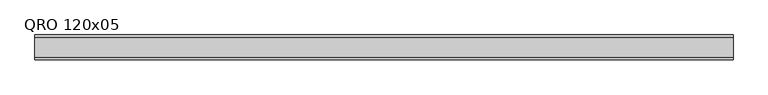
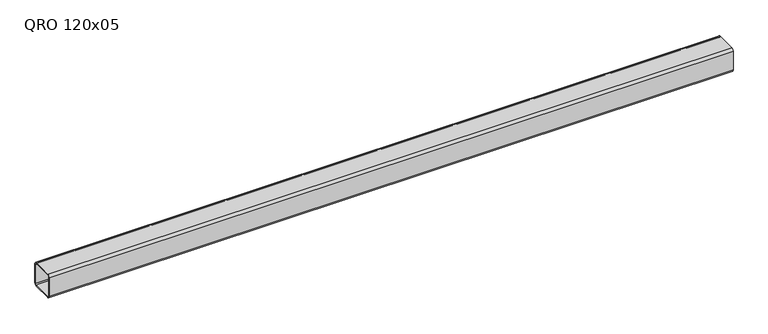
"""IFC4 building model written with IfcOpenShell, lengths in millimetres: beam geometry, QRO 120x05."""

from ifc_helpers import new_model, si_unit, point, frame, frame_2d, origin, place, context, project, spatial, polyline, circle_curve, trimmed, segment, composite_curve, outline, extrude, source, transform, mapped, element, save


def qro_120x05_165c60fd(model_context):
    return source(origin(), model_context, "Body", "SweptSolid", [
        extrude(outline(composite_curve([segment(polyline([(60.0, 48.0), (60.0, -48.0)]), True, "CONTINUOUS"), segment(trimmed(circle_curve(frame_2d((48.0, -48.0)), 12.0), [point((60.0, -48.0))], [point((48.0, -60.0))], False, "CARTESIAN"), True, "CONTINUOUS"), segment(polyline([(48.0, -60.0), (-48.0, -60.0)]), True, "CONTINUOUS"), segment(trimmed(circle_curve(frame_2d((-48.0, -48.0)), 12.0), [point((-48.0, -60.0))], [point((-60.0, -48.0))], False, "CARTESIAN"), True, "CONTINUOUS"), segment(polyline([(-60.0, -48.0), (-60.0, 48.0)]), True, "CONTINUOUS"), segment(trimmed(circle_curve(frame_2d((-48.0, 48.0)), 12.0), [point((-60.0, 48.0))], [point((-48.0, 60.0))], False, "CARTESIAN"), True, "CONTINUOUS"), segment(polyline([(-48.0, 60.0), (48.0, 60.0)]), True, "CONTINUOUS"), segment(trimmed(circle_curve(frame_2d((48.0, 48.0)), 12.0), [point((48.0, 60.0))], [point((60.0, 48.0))], False, "CARTESIAN"), True, "CONTINUOUS")], self_intersect=False), holes=[composite_curve([segment(trimmed(circle_curve(frame_2d((-48.0, 48.0)), 6.0), [point((-48.0, 54.0))], [point((-54.0, 48.0))], True, "CARTESIAN"), True, "CONTINUOUS"), segment(polyline([(-54.0, 48.0), (-54.0, -48.0)]), True, "CONTINUOUS"), segment(trimmed(circle_curve(frame_2d((-48.0, -48.0)), 6.0), [point((-54.0, -48.0))], [point((-48.0, -54.0))], True, "CARTESIAN"), True, "CONTINUOUS"), segment(polyline([(-48.0, -54.0), (48.0, -54.0)]), True, "CONTINUOUS"), segment(trimmed(circle_curve(frame_2d((48.0, -48.0)), 6.0), [point((48.0, -54.0))], [point((54.0, -48.0))], True, "CARTESIAN"), True, "CONTINUOUS"), segment(polyline([(54.0, -48.0), (54.0, 48.0)]), True, "CONTINUOUS"), segment(trimmed(circle_curve(frame_2d((48.0, 48.0)), 6.0), [point((54.0, 48.0))], [point((48.0, 54.0))], True, "CARTESIAN"), True, "CONTINUOUS"), segment(polyline([(48.0, 54.0), (-48.0, 54.0)]), True, "CONTINUOUS")], self_intersect=False)]), frame((-1716.4194264, 0.0, 0.0), z_axis=(1.0, 0.0, 0.0), x_axis=(0.0, 1.0, 0.0)), (0.0, 0.0, 1.0), 3339.340837),
    ])


if __name__ == "__main__":
    model = new_model("IFC4")
    model_context = context("Model", 3, world=origin())
    ifc_project = project(units=[si_unit("LENGTHUNIT", "METRE", prefix="MILLI")], contexts=[model_context])
    site = spatial("IfcSite", under=ifc_project)
    building = spatial("IfcBuilding", under=site)
    placement = place(None, origin())
    qro_120x05_shape = qro_120x05_165c60fd(model_context)
    element("IfcBeam", 1, ObjectType="QRO 120x05", at=placement, inside=building, context=model_context, shape_type="MappedRepresentation", body=[
        mapped(qro_120x05_shape, transform((0.0, 0.0, 0.0), x_axis=(1.0, 0.0, 0.0), y_axis=(0.0, 1.0, 0.0), z_axis=(0.0, 0.0, 1.0))),
    ])
    save(model, "model.ifc")
